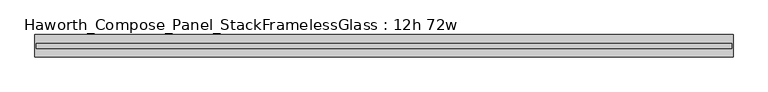
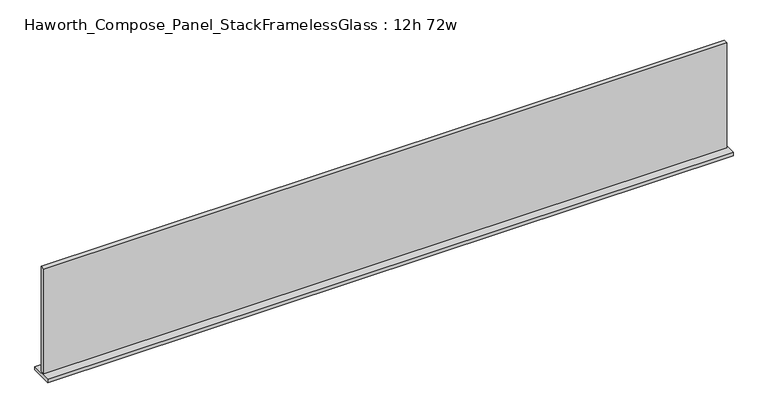
"""IFC4 building model written with IfcOpenShell, lengths in millimetres: furniture geometry, Haworth_Compose_Panel_StackFramelessGlass : 12h 72w."""

from ifc_helpers import new_model, si_unit, frame, origin, place, context, project, spatial, polyline, outline, extrude, source, transform, mapped, element, save


def haworth_compose_panel_stackframelessglass_12h_72w_f5e8d2da(model_context):
    return source(origin(), model_context, "Body", "SweptSolid", [
        extrude(outline(polyline([(913.6652902, 27.3093594), (913.6652902, 14.6093594), (-908.7847098, 14.6093594), (-908.7847098, 27.3093594), (913.6652902, 27.3093594)])), frame((0.0, 0.0, 1279.525), z_axis=(0.0, 0.0, 1.0), x_axis=(1.0, 0.0, 0.0)), (0.0, 0.0, 1.0), 295.275),
        extrude(outline(polyline([(-911.9597098, 50.3281094), (916.8402902, 50.3281094), (916.8402902, -8.4093906), (-911.9597098, -8.4093906), (-911.9597098, 50.3281094)])), frame((0.0, 0.0, 1270.0), z_axis=(0.0, 0.0, 1.0), x_axis=(1.0, 0.0, 0.0)), (0.0, 0.0, 1.0), 9.525),
    ])


if __name__ == "__main__":
    model = new_model("IFC4")
    model_context = context("Model", 3, world=origin())
    ifc_project = project(units=[si_unit("LENGTHUNIT", "METRE", prefix="MILLI")], contexts=[model_context])
    site = spatial("IfcSite", under=ifc_project)
    building = spatial("IfcBuilding", under=site)
    placement = place(None, origin())
    haworth_compose_panel_stackframelessglass_12h_72w_shape = haworth_compose_panel_stackframelessglass_12h_72w_f5e8d2da(model_context)
    element("IfcFurniture", 1, ObjectType="Haworth_Compose_Panel_StackFramelessGlass : 12h 72w", at=placement, inside=building, context=model_context, shape_type="MappedRepresentation", body=[
        mapped(haworth_compose_panel_stackframelessglass_12h_72w_shape, transform((0.0, 0.0, 0.0), x_axis=(1.0, 0.0, 0.0), y_axis=(0.0, 1.0, 0.0), z_axis=(0.0, 0.0, 1.0))),
    ])
    save(model, "model.ifc")
